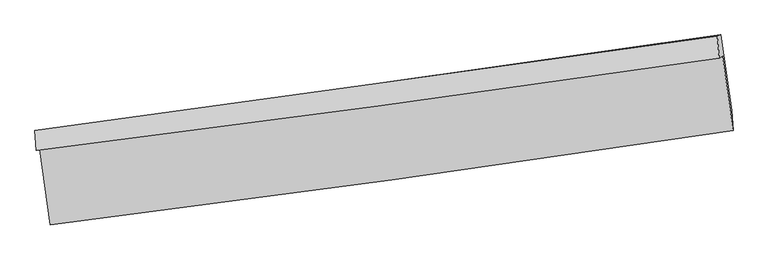
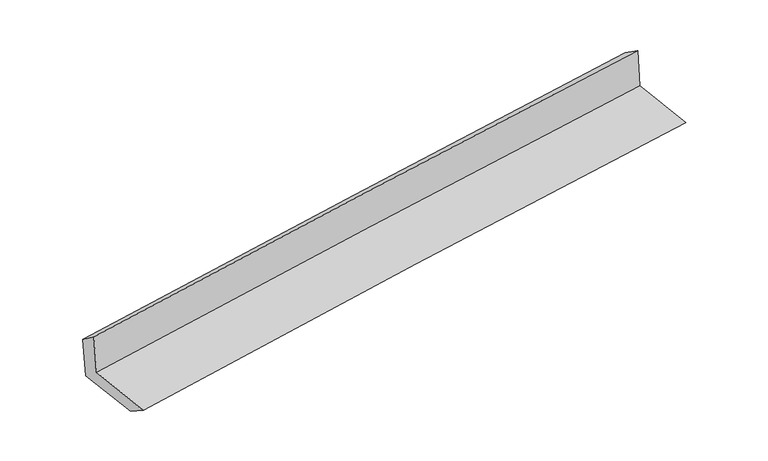
"""IFC4 building model written with IfcOpenShell, lengths in millimetres: proxy geometry."""

from ifc_helpers import new_model, si_unit, frame, origin, place, context, project, spatial, source, transform, mapped, element, save
from ifc_brep_helpers import plane_surface, spline_curve, spline_surface, advanced_brep


def generic_models_94f190ef(model_context):
    return source(origin(), model_context, "Body", "AdvancedBrep", [
        advanced_brep(
        [(-3019.5488321, -1924.0009093, 1656.2313907), (-2927.3967243, -2589.272671, 1618.031171), (3070.5852888, -1758.8906386, 2114.6885473), (2978.7961067, -1104.2171101, 2142.9145705), (-3051.1122487, -1933.2014624, 2055.8563999), (2948.1728284, -1122.6371461, 2546.0048325), (-3063.8378854, -1759.4601182, 1927.6384159), (2932.7759291, -930.063071, 2413.1780298), (-3031.0777431, -1755.4349565, 1521.8690221), (2963.7037184, -916.3079492, 2014.138089), (-2943.3339608, -2396.9135432, 1498.5921632), (3057.0172254, -1584.5720409, 1989.9621071)],
        [
            (0, 1),
            (1, 2, spline_curve(3, [(-2927.3967243, -2589.272671, 1618.031171), (-1928.439250829, -2463.158369351, 1727.757318046), (-929.2053227, -2330.914260405, 1824.004229486), (1070.121845241, -2054.124008251, 1989.564953996), (2070.215255059, -1909.574106625, 2058.870501168), (3070.5852888, -1758.8906386, 2114.6885473)], [4, 2, 4], [0.0, 9.96415011296407, 19.931354766382725])),
            (2, 3),
            (3, 0, spline_curve(3, [(2978.7961067, -1104.2171101, 2142.9145705), (1978.63701024, -1248.970209966, 2078.755275458), (978.618799817, -1389.671925086, 2006.111180538), (-1020.829426523, -1662.930708578, 1843.878254149), (-2020.25952918, -1795.490259773, 1754.294622265), (-3019.5488321, -1924.0009093, 1656.2313907)], [4, 2, 4], [0.0, 9.967204653418655, 19.931354766382725])),
            (4, 0),
            (3, 5),
            (5, 4, spline_curve(3, [(2948.1728284, -1122.6371461, 2546.0048325), (1948.159979056, -1268.935277831, 2482.602153559), (948.136512072, -1409.640864767, 2410.04744929), (-1051.625186538, -1679.825543213, 2246.65902988), (-2051.363412252, -1809.308061564, 2155.830923177), (-3051.1122487, -1933.2014624, 2055.8563999)], [4, 2, 4], [0.0, 9.96530083331812, 19.927547709624626])),
            (6, 4),
            (5, 7),
            (7, 6, spline_curve(3, [(2932.7759291, -930.063071, 2413.1780298), (1932.800751503, -1069.200054508, 2338.718184499), (933.018791018, -1207.895491285, 2261.019930269), (-1065.852362163, -1484.360903154, 2099.171407907), (-2064.941673179, -1622.131148585, 2015.023124069), (-3063.8378854, -1759.4601182, 1927.6384159)], [4, 2, 4], [0.0, 9.964625279429935, 19.926196808877886])),
            (8, 6),
            (7, 9),
            (9, 8, spline_curve(3, [(2963.7037184, -916.3079492, 2014.138089), (1964.559131402, -1060.320497506, 1937.572510168), (965.34514556, -1202.264421641, 1858.260590844), (-1032.915383884, -1481.972156502, 1694.169218855), (-2031.961885359, -1619.737234667, 1609.391449217), (-3031.0777431, -1755.4349565, 1521.8690221)], [4, 2, 4], [0.0, 9.96413859018627, 19.925223579540898])),
            (10, 8),
            (9, 11),
            (11, 10, spline_curve(3, [(3057.0172254, -1584.5720409, 1989.9621071), (2056.807110278, -1723.361342742, 1913.595288198), (1056.596155936, -1860.461234477, 1834.457683659), (-943.520906741, -2131.240700151, 1670.666004111), (-1943.427014423, -2264.921309117, 1586.013627623), (-2943.3339608, -2396.9135432, 1498.5921632)], [4, 2, 4], [0.0, 9.965643250539987, 19.92823243913149])),
            (1, 10),
            (11, 2),
        ],
        [
            spline_surface(3, 3, [[(-3019.5488321, -1924.0009093, 1656.2313907), (-2020.259529328, -1795.490259854, 1754.294622407), (-1020.829426647, -1662.930708639, 1843.878254195), (978.61879994, -1389.671925025, 2006.111180492), (1978.637010209, -1248.970209842, 2078.755275292), (2978.7961067, -1104.2171101, 2142.9145705)], [(-2988.831462838, -2145.758163208, 1643.497984137), (-1989.652769838, -2018.046296376, 1745.448854317), (-990.288058699, -1885.591892537, 1837.253579337), (1009.119815082, -1611.15595279, 2000.595771611), (2009.163091815, -1469.171508763, 2072.127017232), (3009.39250073, -1322.4416196, 2133.505896093)], [(-2958.114093562, -2367.515417092, 1630.764577563), (-1959.046010336, -2240.602332875, 1736.603086217), (-959.746690762, -2108.253076436, 1830.628904484), (1039.620830214, -1832.639980557, 1995.080362736), (2039.689173432, -1689.372807685, 2065.498759194), (3039.98889477, -1540.6661291, 2124.097221707)], [(-2927.3967243, -2589.272671, 1618.031171), (-1928.439250847, -2463.158369398, 1727.757318127), (-929.205322815, -2330.914260334, 1824.004229626), (1070.121845356, -2054.124008322, 1989.564953856), (2070.215255038, -1909.574106606, 2058.870501134), (3070.5852888, -1758.8906386, 2114.6885473)]], [4, 4], [4, 2, 4], [0.0, 2.2071079155947047], [0.0, 9.96415011296407, 19.931354766382725]),
            spline_surface(3, 3, [[(-3051.1122487, -1933.2014624, 2055.8563999), (-2051.363412252, -1809.30806145, 2155.830923231), (-1051.625186665, -1679.825543085, 2246.659029858), (948.136512199, -1409.640864895, 2410.047449312), (1948.159978997, -1268.935277835, 2482.602153543), (2948.1728284, -1122.6371461, 2546.0048325)], [(-3040.591109812, -1930.134611355, 1922.64806349), (-2040.995451256, -1804.702127573, 2021.985489613), (-1041.359933301, -1674.1939316, 2112.398771296), (958.297274804, -1402.984551601, 2275.402026365), (1958.318989423, -1262.280255162, 2347.98652745), (2958.380587856, -1116.497134091, 2411.641411824)], [(-3030.069970988, -1927.067760345, 1789.43972711), (-2030.627490324, -1800.096193731, 1888.140056025), (-1031.094680011, -1668.562320125, 1978.138512757), (968.458037335, -1396.328238318, 2140.75660344), (1968.477999782, -1255.625232515, 2213.370901385), (2968.588347244, -1110.357122109, 2277.277991176)], [(-3019.5488321, -1924.0009093, 1656.2313907), (-2020.259529328, -1795.490259854, 1754.294622407), (-1020.829426647, -1662.930708639, 1843.878254195), (978.61879994, -1389.671925025, 2006.111180492), (1978.637010209, -1248.970209842, 2078.755275292), (2978.7961067, -1104.2171101, 2142.9145705)]], [4, 4], [4, 2, 4], [0.0, 1.3285446656945579], [0.0, 9.962246876306507, 19.927547709624626]),
            spline_surface(3, 3, [[(-3063.8378854, -1759.4601182, 1927.6384159), (-2064.941673239, -1622.131148588, 2015.023124062), (-1065.852362126, -1484.360903129, 2099.171407811), (933.018790981, -1207.89549131, 2261.019930365), (1932.800751337, -1069.200054387, 2338.718184558), (2932.7759291, -930.063071, 2413.1780298)], [(-3059.596006506, -1817.373899597, 1970.377743924), (-2060.415586249, -1684.523452872, 2061.959057143), (-1061.109970315, -1549.515783114, 2148.333948495), (938.058031378, -1275.143949171, 2310.695770017), (1937.92049386, -1135.778462204, 2386.67950757), (2937.908228836, -994.254429368, 2457.453630717)], [(-3055.354127594, -1875.287681003, 2013.117071876), (-2055.889499242, -1746.915757166, 2108.89499015), (-1056.367578476, -1614.6706631, 2197.496489173), (943.097271803, -1342.392407034, 2360.371609661), (1943.040236474, -1202.356870018, 2434.640830531), (2943.040528664, -1058.445787732, 2501.729231583)], [(-3051.1122487, -1933.2014624, 2055.8563999), (-2051.363412252, -1809.30806145, 2155.830923231), (-1051.625186665, -1679.825543085, 2246.659029858), (948.136512199, -1409.640864895, 2410.047449312), (1948.159978997, -1268.935277835, 2482.602153543), (2948.1728284, -1122.6371461, 2546.0048325)]], [4, 4], [4, 2, 4], [0.0, 0.8145473341768267], [0.0, 9.961571529447951, 19.926196808877886]),
            spline_surface(3, 3, [[(-3031.0777431, -1755.4349565, 1521.8690221), (-2031.96188544, -1619.73723458, 1609.391449171), (-1032.915384017, -1481.972156431, 1694.169218855), (965.345145692, -1202.264421712, 1858.260590844), (1964.55913141, -1060.320497404, 1937.57251013), (2963.7037184, -916.3079492, 2014.138089)], [(-3041.997790534, -1756.776677091, 1657.125486692), (-2042.95514804, -1620.53520594, 1744.60200746), (-1043.894376715, -1482.768405343, 1829.169948517), (954.569694127, -1204.141444924, 1992.513704028), (1953.973004721, -1063.280349735, 2071.287734946), (2953.394455303, -920.892989803, 2147.151402606)], [(-3052.917837966, -1758.118397609, 1792.381951308), (-2053.948410639, -1621.333177228, 1879.812565773), (-1054.873369428, -1483.564654217, 1964.170678149), (943.794242547, -1206.018468098, 2126.766817182), (1943.386878025, -1066.240202056, 2205.002959743), (2943.085192197, -925.478030397, 2280.164716194)], [(-3063.8378854, -1759.4601182, 1927.6384159), (-2064.941673239, -1622.131148588, 2015.023124062), (-1065.852362126, -1484.360903129, 2099.171407811), (933.018790981, -1207.89549131, 2261.019930365), (1932.800751337, -1069.200054387, 2338.718184558), (2932.7759291, -930.063071, 2413.1780298)]], [4, 4], [4, 2, 4], [0.0, 1.329449994139539], [0.0, 9.961084989354628, 19.925223579540898]),
            spline_surface(3, 3, [[(-2943.3339608, -2396.9135432, 1498.5921632), (-1943.427014474, -2264.921309034, 1586.013627577), (-943.520906683, -2131.240700039, 1670.66600424), (1056.596155877, -1860.461234588, 1834.457683531), (2056.807110194, -1723.361342809, 1913.595288195), (3057.0172254, -1584.5720409, 1989.9621071)], [(-2972.581888243, -2183.087347622, 1506.351116149), (-1972.938638139, -2049.859950872, 1593.806234758), (-973.319065819, -1914.817852169, 1678.5004091), (1026.179152457, -1641.062296962, 1842.391985957), (2026.057783957, -1502.347727672, 1921.587695501), (3025.912723091, -1361.817343664, 1998.020767727)], [(-3001.829815657, -1969.261152078, 1514.110069151), (-2002.450261775, -1834.798592742, 1601.59884199), (-1003.11722488, -1698.395004301, 1686.334813995), (995.762149112, -1421.663359338, 1850.326288418), (1995.308457647, -1281.334112541, 1929.580102824), (2994.808220709, -1139.062646436, 2006.079428373)], [(-3031.0777431, -1755.4349565, 1521.8690221), (-2031.96188544, -1619.73723458, 1609.391449171), (-1032.915384017, -1481.972156431, 1694.169218855), (965.345145692, -1202.264421712, 1858.260590844), (1964.55913141, -1060.320497404, 1937.57251013), (2963.7037184, -916.3079492, 2014.138089)]], [4, 4], [4, 2, 4], [0.0, 2.1665617471496756], [0.0, 9.962589188591505, 19.92823243913149]),
            spline_surface(3, 3, [[(-2927.3967243, -2589.272671, 1618.031171), (-1928.439250847, -2463.158369398, 1727.757318127), (-929.205322815, -2330.914260334, 1824.004229626), (1070.121845356, -2054.124008322, 1989.564953856), (2070.215255038, -1909.574106606, 2058.870501134), (3070.5852888, -1758.8906386, 2114.6885473)], [(-2932.709136469, -2525.152961727, 1578.218168407), (-1933.435172058, -2397.07934927, 1680.509421284), (-933.977184103, -2264.356406895, 1772.891487839), (1065.613282198, -1989.569750403, 1937.862530423), (2065.745873408, -1847.503185347, 2010.445430153), (3066.062600985, -1700.784439373, 2073.113067232)], [(-2938.021548631, -2461.033252473, 1538.405165793), (-1938.431093263, -2331.000329162, 1633.26152442), (-938.749045395, -2197.798553479, 1721.778746027), (1061.104719035, -1925.015492507, 1886.160106964), (2061.276491824, -1785.432264068, 1962.020359175), (3061.539913215, -1642.678240127, 2031.537587168)], [(-2943.3339608, -2396.9135432, 1498.5921632), (-1943.427014474, -2264.921309034, 1586.013627577), (-943.520906683, -2131.240700039, 1670.66600424), (1056.596155877, -1860.461234588, 1834.457683531), (2056.807110194, -1723.361342809, 1913.595288195), (3057.0172254, -1584.5720409, 1989.9621071)]], [4, 4], [4, 2, 4], [0.0, 0.8212364021591066], [0.0, 9.96489341248776, 19.93284159329083]),
            plane_surface(frame((2991.8418495, -1236.1146593, 2203.4810294), z_axis=(0.9875196713121172, 0.13495573379978343, 0.08119020067822438), x_axis=(-0.07722815523626961, -0.0343471908821106, 0.9964216389246625))),
            plane_surface(frame((-3006.0512324, -2059.7139434, 1713.0364271), z_axis=(-0.9879038771659255, -0.13218735093288186, -0.08107054788194909), x_axis=(-0.13698652535335176, 0.9889439237195081, 0.0567856285505359))),
        ],
        [
            (0, [[1, 2, 3, 4]]),
            (1, [[5, -4, 6, 7]]),
            (2, [[8, -7, 9, 10]]),
            (3, [[11, -10, 12, 13]]),
            (4, [[14, -13, 15, 16]]),
            (5, [[17, -16, 18, -2]]),
            (6, [[-12, -9, -6, -3, -18, -15]]),
            (7, [[-1, -5, -8, -11, -14, -17]]),
        ],
    ),
    ])


if __name__ == "__main__":
    model = new_model("IFC4")
    model_context = context("Model", 3, world=origin())
    ifc_project = project(units=[si_unit("LENGTHUNIT", "METRE", prefix="MILLI")], contexts=[model_context])
    site = spatial("IfcSite", under=ifc_project)
    building = spatial("IfcBuilding", under=site)
    placement = place(None, origin())
    generic_models_shape = generic_models_94f190ef(model_context)
    element("IfcBuildingElementProxy", 1, Name="Generic Models", at=placement, inside=building, context=model_context, shape_type="MappedRepresentation", body=[
        mapped(generic_models_shape, transform((0.0, 0.0, 0.0), x_axis=(1.0, 0.0, 0.0), y_axis=(0.0, 1.0, 0.0), z_axis=(0.0, 0.0, 1.0))),
    ])
    save(model, "model.ifc")
